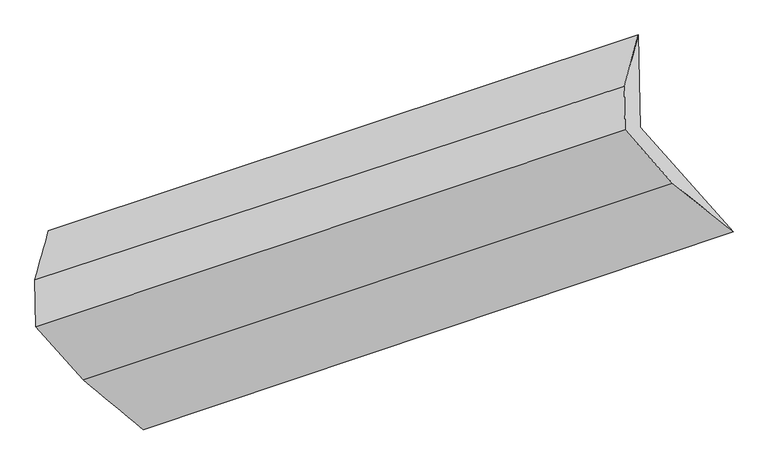
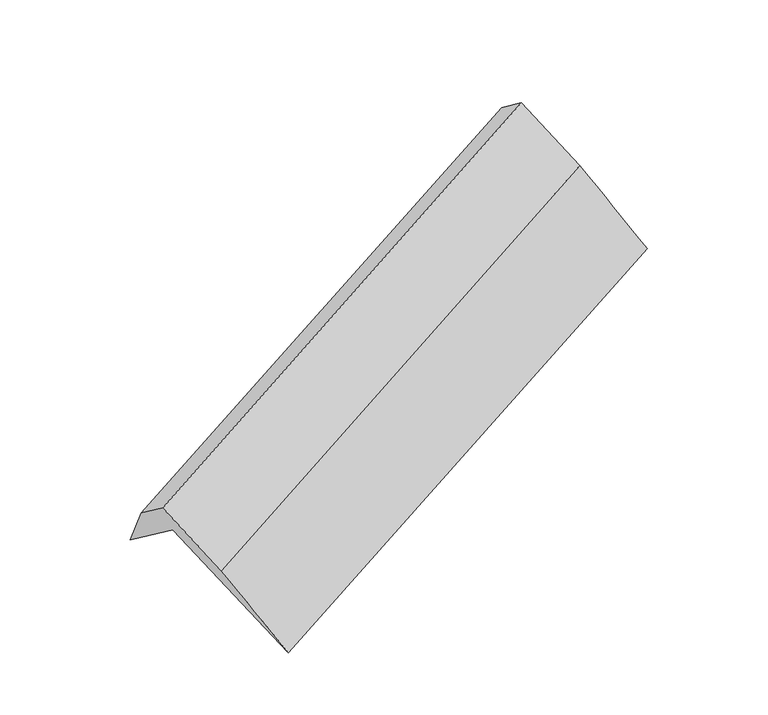
"""IFC4 building model written with IfcOpenShell, lengths in millimetres: proxy geometry."""

import ifcopenshell
import ifcopenshell.guid

model = None  # the IFC model being written
_history = None  # IfcOwnerHistory: only IFC2X3 demands one
_inside = {}  # id of a spatial element -> (the spatial element, [elements in it])
_under = {}  # id of a project, library or spatial element -> (it, [spatial elements below it])
_declared = {}  # id of a project -> (the project, [libraries it declares])
_typed = {}  # id of a type object -> (the type object, [elements of that type])
_made_of = {}  # id of a material, layer set ... -> (it, [elements and type objects made of it])


def new_model(schema):
    """Start an empty IFC model of exactly this schema.

    Asked for "IFC4X3", IfcOpenShell would pick the latest addendum, in which some entities
    have other attributes; the version numbers below select the first issue.
    IFC2X3 requires an IfcOwnerHistory on every rooted entity: one is made here for all.
    """
    global model, _history
    if schema == "IFC4X3":
        model = ifcopenshell.file(schema_version=(4, 3, 0, 0))
    else:
        model = ifcopenshell.file(schema=schema)
    _inside.clear()
    _under.clear()
    _declared.clear()
    _typed.clear()
    _made_of.clear()
    _history = None
    if model.schema == "IFC2X3":
        org = make("IfcOrganization", Name="unknown")
        user = make(
            "IfcPersonAndOrganization",
            ThePerson=make("IfcPerson", FamilyName="unknown"),
            TheOrganization=org,
        )
        app = make(
            "IfcApplication",
            ApplicationDeveloper=org,
            Version="unknown",
            ApplicationFullName="unknown",
            ApplicationIdentifier="unknown",
        )
        _history = make(
            "IfcOwnerHistory",
            OwningUser=user,
            OwningApplication=app,
            ChangeAction="ADDED",
            CreationDate=0,
        )
    return model


def make(cls, **values):
    """One entity of the class cls with the attributes given. An attribute that is None is left unset."""
    return model.create_entity(
        cls, **{name: value for name, value in values.items() if value is not None}
    )


def rooted(cls, **values):
    """An entity with a GlobalId (a new one), such as an element, a storey or a relation."""
    return make(cls, GlobalId=ifcopenshell.guid.new(), OwnerHistory=_history, **values)


def si_unit(unit_type, name, prefix=None):
    """IfcSIUnit, for example si_unit("LENGTHUNIT", "METRE", prefix="MILLI")."""
    return make("IfcSIUnit", UnitType=unit_type, Prefix=prefix, Name=name)


def assignment(units):
    """IfcUnitAssignment: the units of a project."""
    return None if units is None else make("IfcUnitAssignment", Units=units)


def point(xyz):
    """IfcCartesianPoint."""
    return None if xyz is None else make("IfcCartesianPoint", Coordinates=xyz)


def direction(xyz):
    """IfcDirection."""
    return None if xyz is None else make("IfcDirection", DirectionRatios=xyz)


def frame(location, z_axis=None, x_axis=None):
    """IfcAxis2Placement3D, a coordinate frame: its origin and axes. An axis left out is left unset."""
    return make(
        "IfcAxis2Placement3D",
        Location=point(location),
        Axis=direction(z_axis),
        RefDirection=direction(x_axis),
    )


def origin():
    """The frame at (0, 0, 0) with its axes left unset."""
    return frame((0.0, 0.0, 0.0))


def place(relative_to, where):
    """IfcLocalPlacement: puts the frame where relative to a parent placement (None: the world)."""
    return make(
        "IfcLocalPlacement", PlacementRelTo=relative_to, RelativePlacement=where
    )


def context(
    kind, dimensions, precision=None, world=None, true_north=None, identifier=None
):
    """IfcGeometricRepresentationContext, for example the 3D "Model" context."""
    return make(
        "IfcGeometricRepresentationContext",
        ContextIdentifier=identifier,
        ContextType=kind,
        CoordinateSpaceDimension=dimensions,
        Precision=precision,
        WorldCoordinateSystem=world,
        TrueNorth=true_north,
    )


def project(units=None, contexts=None):
    """IfcProject with its units and contexts."""
    return rooted(
        "IfcProject",
        Name="project",
        RepresentationContexts=contexts,
        UnitsInContext=assignment(units),
    )


def spatial(cls, under=None, at=None, **own):
    """A site, building, storey or space (cls), placed at a placement, below another one or the project."""
    s = rooted(cls, ObjectPlacement=at, **own)
    if under is not None:
        _under.setdefault(under.id(), (under, []))[1].append(s)
    return s


def shape(context_of_items, identifier, shape_type, items):
    """IfcShapeRepresentation: the items that make up one representation, for example the "Body"."""
    return make(
        "IfcShapeRepresentation",
        ContextOfItems=context_of_items,
        RepresentationIdentifier=identifier,
        RepresentationType=shape_type,
        Items=items,
    )


def source(mapping_origin, context_of_items, identifier, shape_type, items):
    """IfcRepresentationMap: a shape defined once, which mapped items show again and again."""
    return make(
        "IfcRepresentationMap",
        MappingOrigin=mapping_origin,
        MappedRepresentation=shape(context_of_items, identifier, shape_type, items),
    )


def transform(
    local_origin,
    x_axis=None,
    y_axis=None,
    z_axis=None,
    scale=None,
    scale2=None,
    scale3=None,
    uniform=True,
):
    """IfcCartesianTransformationOperator3D, or its non-uniform kind. x_axis, y_axis, z_axis: its Axis1, 2, 3."""
    if uniform:
        return make(
            "IfcCartesianTransformationOperator3D",
            Axis1=direction(x_axis),
            Axis2=direction(y_axis),
            LocalOrigin=point(local_origin),
            Scale=scale,
            Axis3=direction(z_axis),
        )
    return make(
        "IfcCartesianTransformationOperator3DnonUniform",
        Axis1=direction(x_axis),
        Axis2=direction(y_axis),
        LocalOrigin=point(local_origin),
        Scale=scale,
        Axis3=direction(z_axis),
        Scale2=scale2,
        Scale3=scale3,
    )


def mapped(mapping_source, mapping_target):
    """IfcMappedItem: shows the shape of a source again, moved by a transform."""
    return make(
        "IfcMappedItem", MappingSource=mapping_source, MappingTarget=mapping_target
    )


def made_of(thing, what):
    """Note that an element or type object is made of a material, layer set ...; save() writes the relation."""
    if what is not None:
        _made_of.setdefault(what.id(), (what, []))[1].append(thing)
    return thing


def element(
    cls,
    number,
    at=None,
    inside=None,
    cuts=None,
    type_object=None,
    material=None,
    context=None,
    identifier="Body",
    shape_type=None,
    held_by="IfcProductDefinitionShape",
    body=None,
    shapes=None,
    **own,
):
    """One element of the class cls, such as IfcWall. Its Tag is "e" and its number.

    at: its placement. inside: the storey or other place that contains it. cuts: it is an
    opening in that element (IfcRelVoidsElement). A single representation is given by context,
    identifier, shape_type and body (its items); several are given by shapes. held_by: the class
    of the entity that holds the representations. save() writes the other relations.
    """
    e = rooted(cls, Tag="e%d" % number, ObjectPlacement=at, **own)
    if body is not None:
        shapes = [shape(context, identifier, shape_type, body)]
    if shapes is not None:
        e.Representation = make(held_by, Representations=shapes)
    if inside is not None:
        _inside.setdefault(inside.id(), (inside, []))[1].append(e)
    if cuts is not None:
        rooted(
            "IfcRelVoidsElement", RelatingBuildingElement=cuts, RelatedOpeningElement=e
        )
    if type_object is not None:
        _typed.setdefault(type_object.id(), (type_object, []))[1].append(e)
    return made_of(e, material)


def aggregate(whole, parts):
    """IfcRelAggregates: a whole, such as a stair, and the parts it consists of."""
    return rooted("IfcRelAggregates", RelatingObject=whole, RelatedObjects=parts)


def save(model, path):
    """Write the relations noted so far, then the file.

    IfcRelAggregates (storeys below a building ...), IfcRelContainedInSpatialStructure (elements
    in a storey), IfcRelDefinesByType, IfcRelAssociatesMaterial and IfcRelDeclares: one each for
    every whole, place, type object, material and project.
    """
    for whole, parts in _under.values():
        aggregate(whole, parts)
    for where, things in _inside.values():
        rooted(
            "IfcRelContainedInSpatialStructure",
            RelatedElements=things,
            RelatingStructure=where,
        )
    for kind, things in _typed.values():
        rooted("IfcRelDefinesByType", RelatedObjects=things, RelatingType=kind)
    for what, things in _made_of.values():
        rooted("IfcRelAssociatesMaterial", RelatedObjects=things, RelatingMaterial=what)
    for by, libraries in _declared.values():
        rooted("IfcRelDeclares", RelatingContext=by, RelatedDefinitions=libraries)
    model.write(path)


def plane_surface(at):
    """IfcPlane: the flat surface through the origin of the frame at, square to its z axis."""
    return make("IfcPlane", Position=at)


def spline_surface(u_degree, v_degree, points, u_multiplicities, v_multiplicities, u_knots, v_knots, weights=None):
    """IfcBSplineSurfaceWithKnots; with weights, IfcRationalBSplineSurfaceWithKnots. points: one row for each step in u."""
    own = dict(
        UDegree=u_degree,
        VDegree=v_degree,
        ControlPointsList=[[point(p) for p in row] for row in points],
        SurfaceForm="UNSPECIFIED",
        UClosed=False,
        VClosed=False,
        SelfIntersect=False,
        UMultiplicities=u_multiplicities,
        VMultiplicities=v_multiplicities,
        UKnots=u_knots,
        VKnots=v_knots,
        KnotSpec="UNSPECIFIED",
    )
    if weights is None:
        return make("IfcBSplineSurfaceWithKnots", **own)
    return make("IfcRationalBSplineSurfaceWithKnots", WeightsData=weights, **own)


def advanced_brep(points, edges, surfaces, faces):
    """IfcAdvancedBrep: a solid bounded by faces that lie on surfaces and meet in shared edges.

    An edge is (start, end): straight between two places in points (the first is 0);
    or (start, end, curve); or (start, end, curve, False) where it runs against its curve.
    A face is (place in surfaces, loops), or (place, loops, False) where it looks against
    its surface's normal. A loop lists edges by number (the first is 1), with a minus sign
    where the edge is run from its end to its start. The first loop is the outer one.
    """
    corners = [point(p) for p in points]
    vertices = [make("IfcVertexPoint", VertexGeometry=c) for c in corners]
    made = []
    for start, end, *more in edges:
        made.append(
            make(
                "IfcEdgeCurve",
                EdgeStart=vertices[start],
                EdgeEnd=vertices[end],
                EdgeGeometry=more[0] if more else make("IfcPolyline", Points=[corners[start], corners[end]]),
                SameSense=more[1] if len(more) > 1 else True,
            )
        )
    hull = []
    for where, loops, *sense in faces:
        bounds = []
        for j, loop in enumerate(loops):
            ring = [make("IfcOrientedEdge", EdgeElement=made[abs(k) - 1], Orientation=k > 0) for k in loop]
            bounds.append(
                make(
                    "IfcFaceOuterBound" if j == 0 else "IfcFaceBound",
                    Bound=make("IfcEdgeLoop", EdgeList=ring),
                    Orientation=True,
                )
            )
        hull.append(make("IfcAdvancedFace", Bounds=bounds, FaceSurface=surfaces[where], SameSense=sense[0] if sense else True))
    return make("IfcAdvancedBrep", Outer=make("IfcClosedShell", CfsFaces=hull))


def generic_models_056c1632(model_context):
    return source(origin(), model_context, "Body", "AdvancedBrep", [
        advanced_brep(
        [(-4956.0176959, -2144.6291707, 1346.612212), (-4968.9998274, -1509.0099032, 870.3917808), (-987.7606899, -186.3387459, 2502.2312463), (-975.0237097, -809.9551398, 2969.4588513), (-5060.2223495, -1837.0306944, 1353.760794), (-1083.1553807, -533.1220681, 3010.7112222), (-5053.7153646, -2155.6197461, 1592.4549673), (-1077.1386984, -827.7053725, 3231.4197429), (-4734.8207206, -2514.2350661, 1105.1118716), (-758.2440545, -1186.3206925, 2744.0766472), (-4329.0633286, -2849.675321, 388.4842283), (-348.0693424, -1515.0012901, 2011.3308676)],
        [
            (0, 1),
            (1, 2),
            (2, 3),
            (3, 0),
            (1, 4),
            (4, 5),
            (5, 2),
            (4, 6),
            (6, 7),
            (7, 5),
            (6, 8),
            (8, 9),
            (9, 7),
            (8, 10),
            (10, 11),
            (11, 9),
            (10, 0),
            (3, 11),
        ],
        [
            plane_surface(frame((-4962.5087616, -1826.8195369, 1108.5019964), z_axis=(0.4662471303533171, -0.5243216436462909, -0.7125310010387963), x_axis=(-0.01634341942150747, 0.8001915768434392, -0.5995217535589706))),
            spline_surface(1, 1, [[(-4968.9998274, -1509.0099032, 870.3917808), (-987.7606899, -186.3387459, 2502.2312463)], [(-5060.2223495, -1837.0306944, 1353.760794), (-1083.1553807, -533.1220681, 3010.7112222)]], [2, 2], [2, 2], [0.0, 1.0], [0.0, 1.0]),
            plane_surface(frame((-5056.968857, -1996.3252203, 1473.1078807), z_axis=(-0.4682109369179204, 0.5236735038868703, 0.7117194530693199), x_axis=(0.016343419421507722, -0.8001915768434392, 0.5995217535589707))),
            plane_surface(frame((-4894.2680426, -2334.9274061, 1348.7834195), z_axis=(0.01929075521471918, -0.7992168681821807, 0.6007331057768605), x_axis=(0.4662471303533182, -0.5243216436462892, -0.7125310010387967))),
            spline_surface(1, 1, [[(-4734.8207206, -2514.2350661, 1105.1118716), (-758.2440545, -1186.3206925, 2744.0766472)], [(-4329.0633286, -2849.675321, 388.4842283), (-348.0693424, -1515.0012901, 2011.3308676)]], [2, 2], [2, 2], [0.0, 1.0], [0.0, 1.0]),
            plane_surface(frame((-4642.5405122, -2497.1522458, 867.5482202), z_axis=(-0.022237811352200515, 0.7982333067832805, -0.6019377606431529), x_axis=(-0.46624713035331294, 0.5243216436462854, 0.712531001038803))),
            plane_surface(frame((-871.5653126, -843.0738848, 2744.8714296), z_axis=(0.8845035364988162, 0.2911704901820819, 0.3645178179022441), x_axis=(0.4548547192987497, -0.36448351536708745, -0.8125631983773974))),
            plane_surface(frame((-4850.4732144, -2168.3666503, 1109.469309), z_axis=(-0.8845035364988143, -0.29117049018207675, -0.36451781790225307), x_axis=(0.46624713035331716, -0.5243216436462902, -0.7125310010387966))),
        ],
        [
            (0, [[1, 2, 3, 4]]),
            (1, [[5, 6, 7, -2]]),
            (2, [[8, 9, 10, -6]]),
            (3, [[11, 12, 13, -9]]),
            (4, [[14, 15, 16, -12]]),
            (5, [[17, -4, 18, -15]]),
            (6, [[-16, -18, -3, -7, -10, -13]]),
            (7, [[-17, -14, -11, -8, -5, -1]]),
        ],
    ),
    ])


if __name__ == "__main__":
    model = new_model("IFC4")
    model_context = context("Model", 3, world=origin())
    ifc_project = project(units=[si_unit("LENGTHUNIT", "METRE", prefix="MILLI")], contexts=[model_context])
    site = spatial("IfcSite", under=ifc_project)
    building = spatial("IfcBuilding", under=site)
    placement = place(None, origin())
    generic_models_shape = generic_models_056c1632(model_context)
    element("IfcBuildingElementProxy", 1, Name="Generic Models", at=placement, inside=building, context=model_context, shape_type="MappedRepresentation", body=[
        mapped(generic_models_shape, transform((0.0, 0.0, 0.0), x_axis=(1.0, 0.0, 0.0), y_axis=(0.0, 1.0, 0.0), z_axis=(0.0, 0.0, 1.0))),
    ])
    save(model, "model.ifc")
